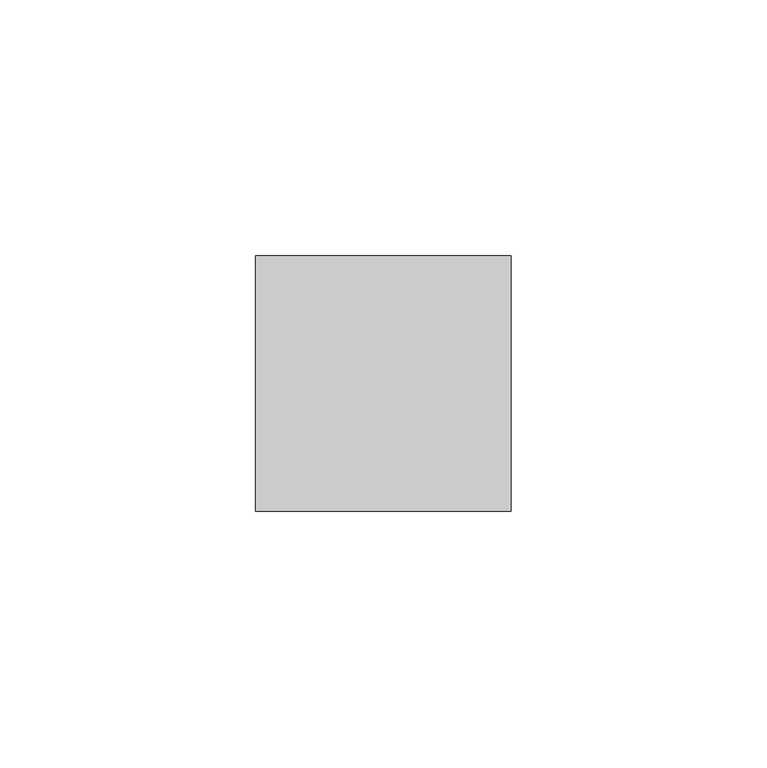
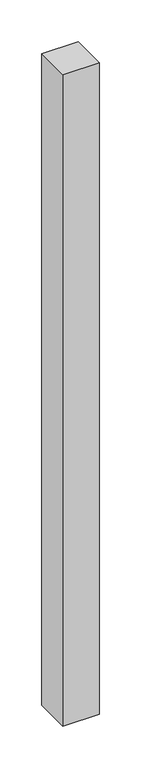
"""IFC4 building model written with IfcOpenShell, lengths in millimetres: member geometry."""

from ifc_helpers import new_model, si_unit, frame, origin, place, context, project, spatial, polyline, outline, extrude, source, transform, mapped, element, save


def member_b5e4faf8(model_context):
    return source(origin(), model_context, "Body", "SweptSolid", [
        extrude(outline(polyline([(0.0, 25.0), (0.0, -25.0), (-50.0, -25.0), (-50.0, 25.0), (0.0, 25.0)])), frame((0.0, 0.0, -950.0), z_axis=(0.0, 0.0, 1.0), x_axis=(1.0, 0.0, 0.0)), (0.0, 0.0, 1.0), 950.0),
    ])


if __name__ == "__main__":
    model = new_model("IFC4")
    model_context = context("Model", 3, world=origin())
    ifc_project = project(units=[si_unit("LENGTHUNIT", "METRE", prefix="MILLI")], contexts=[model_context])
    site = spatial("IfcSite", under=ifc_project)
    building = spatial("IfcBuilding", under=site)
    placement = place(None, origin())
    member_shape = member_b5e4faf8(model_context)
    element("IfcMember", 1, at=placement, inside=building, context=model_context, shape_type="MappedRepresentation", body=[
        mapped(member_shape, transform((0.0, 0.0, 0.0), x_axis=(1.0, 0.0, 0.0), y_axis=(0.0, 1.0, 0.0), z_axis=(0.0, 0.0, 1.0))),
    ])
    save(model, "model.ifc")
